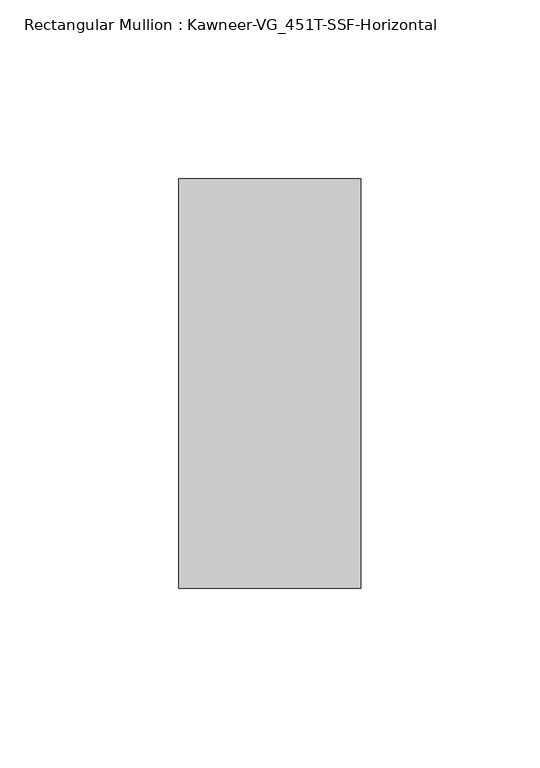
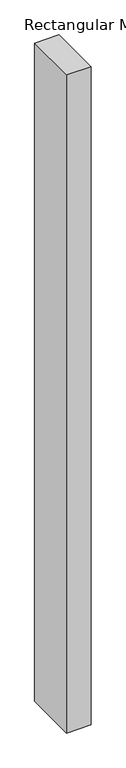
"""IFC4 building model written with IfcOpenShell, lengths in millimetres: member geometry, Rectangular Mullion : Kawneer-VG_451T-SSF-Horizontal."""

from ifc_helpers import new_model, si_unit, frame, origin, place, context, project, spatial, polyline, outline, extrude, source, transform, mapped, element, save


def rectangular_mullion_kawneer_vg_451t_ssf_horizontal_adbf91b8(model_context):
    return source(origin(), model_context, "Body", "SweptSolid", [
        extrude(outline(polyline([(25.4, 57.15), (25.4, -57.15), (-25.4, -57.15), (-25.4, 57.15), (25.4, 57.15)])), frame((0.0, 0.0, -1439.8625), z_axis=(0.0, 0.0, 1.0), x_axis=(1.0, 0.0, 0.0)), (0.0, 0.0, 1.0), 1439.8625),
    ])


if __name__ == "__main__":
    model = new_model("IFC4")
    model_context = context("Model", 3, world=origin())
    ifc_project = project(units=[si_unit("LENGTHUNIT", "METRE", prefix="MILLI")], contexts=[model_context])
    site = spatial("IfcSite", under=ifc_project)
    building = spatial("IfcBuilding", under=site)
    placement = place(None, origin())
    rectangular_mullion_kawneer_vg_451t_ssf_horizontal_shape = rectangular_mullion_kawneer_vg_451t_ssf_horizontal_adbf91b8(model_context)
    element("IfcMember", 1, ObjectType="Rectangular Mullion : Kawneer-VG_451T-SSF-Horizontal", at=placement, inside=building, context=model_context, shape_type="MappedRepresentation", body=[
        mapped(rectangular_mullion_kawneer_vg_451t_ssf_horizontal_shape, transform((0.0, 0.0, 0.0), x_axis=(1.0, 0.0, 0.0), y_axis=(0.0, 1.0, 0.0), z_axis=(0.0, 0.0, 1.0))),
    ])
    save(model, "model.ifc")
